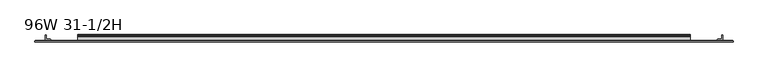
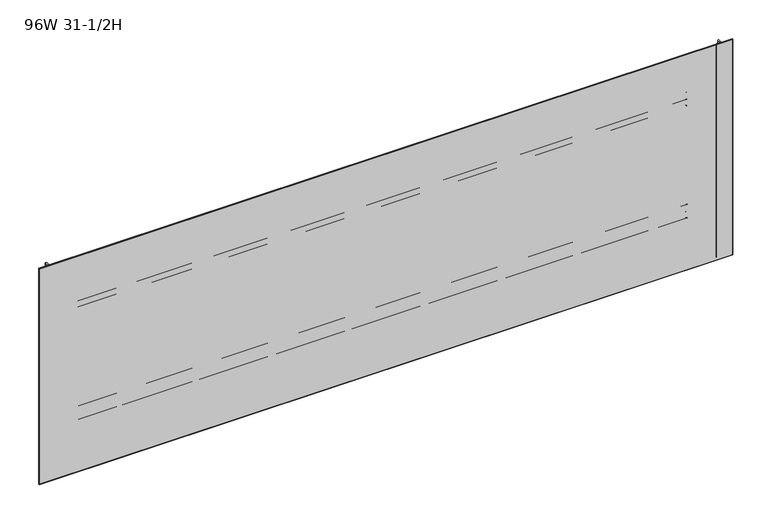
"""IFC4 building model written with IfcOpenShell, lengths in millimetres: furniture geometry, 96W 31-1/2H."""

from ifc_helpers import new_model, si_unit, point, frame, frame_2d, origin, place, context, project, spatial, polyline, circle_curve, trimmed, segment, composite_curve, outline, extrude, faceted_brep, source, transform, mapped, element, save


def furniture_96w_31_1_2h_2bd5d946(model_context):
    return source(origin(), model_context, "Body", "SolidModel", [
        extrude(outline(composite_curve([segment(polyline([(-5.2324, 699.2059175), (-5.2324, 720.3244434)]), True, "CONTINUOUS"), segment(trimmed(circle_curve(frame_2d((-4.677496, 720.3244434)), 0.554904), [point((-5.2324, 720.3244434))], [point((-4.5338691, 720.8604377))], False, "CARTESIAN"), True, "CONTINUOUS"), segment(polyline([(-4.5338691, 720.8604377), (-3.3274001, 720.5371481), (-2.3976956, 719.607481), (-2.0574001, 718.3374277), (-2.0574001, 705.5676431)]), True, "CONTINUOUS"), segment(trimmed(circle_curve(frame_2d((-1.4921701, 705.5676431)), 0.5652299), [point((-2.0574001, 705.5676431))], [point((-1.4921701, 705.0024132))], True, "CARTESIAN"), True, "CONTINUOUS"), segment(polyline([(-1.4921701, 705.0024132), (0.5143951, 705.0024132)]), True, "CONTINUOUS"), segment(trimmed(circle_curve(frame_2d((0.5143951, 704.3992083)), 0.6032049), [point((0.5143951, 705.0024132))], [point((1.1176, 704.3992083))], False, "CARTESIAN"), True, "CONTINUOUS"), segment(polyline([(1.1176, 704.3992083), (1.1176, 673.2846046)]), True, "CONTINUOUS"), segment(trimmed(circle_curve(frame_2d((0.6637885, 675.9738096)), 2.7272272), [point((1.1176, 673.2846046))], [point((-2.0574001, 675.7924229))], False, "CARTESIAN"), True, "CONTINUOUS"), segment(polyline([(-2.0574001, 675.7924229), (-2.0574001, 698.1081717)]), True, "CONTINUOUS"), segment(trimmed(circle_curve(frame_2d((-2.6016657, 698.1081717)), 0.5442657), [point((-2.0574001, 698.1081717))], [point((-2.6016657, 698.6524374))], True, "CARTESIAN"), True, "CONTINUOUS"), segment(polyline([(-2.6016657, 698.6524374), (-4.6789199, 698.6524374)]), True, "CONTINUOUS"), segment(trimmed(circle_curve(frame_2d((-4.6789199, 699.2059175)), 0.5534801), [point((-4.6789199, 698.6524374))], [point((-5.2324, 699.2059175))], False, "CARTESIAN"), True, "CONTINUOUS")], self_intersect=False)), frame((152.4, 0.0, 0.0), z_axis=(1.0, 0.0, 0.0), x_axis=(0.0, 1.0, 0.0)), (0.0, 0.0, 1.0), 2133.6),
        extrude(outline(composite_curve([segment(polyline([(-7.1373999, 752.6274132), (-4.5974, 751.9468588), (-2.7379909, 750.0874519), (-2.0574001, 747.547418), (-2.0574001, 725.9337352)]), True, "CONTINUOUS"), segment(trimmed(circle_curve(frame_2d((-1.4969277, 725.9337352)), 0.5604724), [point((-2.0574001, 725.9337352))], [point((-1.4969277, 725.3732628))], True, "CARTESIAN"), True, "CONTINUOUS"), segment(polyline([(-1.4969277, 725.3732628), (0.4039455, 725.3732628)]), True, "CONTINUOUS"), segment(trimmed(circle_curve(frame_2d((0.4039455, 724.6596084)), 0.7136544), [point((0.4039455, 725.3732628))], [point((1.1176, 724.6596084))], False, "CARTESIAN"), True, "CONTINUOUS"), segment(polyline([(1.1176, 724.6596084), (1.1176, 706.3034694)]), True, "CONTINUOUS"), segment(trimmed(circle_curve(frame_2d((0.4746932, 706.3034694)), 0.6429068), [point((1.1176, 706.3034694))], [point((-0.1003385, 706.0159495))], False, "CARTESIAN"), True, "CONTINUOUS"), segment(polyline([(-0.1003385, 706.0159495), (-1.8183367, 709.4518984)]), True, "CONTINUOUS"), segment(trimmed(circle_curve(frame_2d((0.2069874, 710.4645745)), 2.2643874), [point((-1.8183367, 709.4518984))], [point((-2.0574001, 710.4645745))], False, "CARTESIAN"), True, "CONTINUOUS"), segment(polyline([(-2.0574001, 710.4645745), (-2.0574001, 720.1402528)]), True, "CONTINUOUS"), segment(trimmed(circle_curve(frame_2d((-2.7946089, 720.1402528)), 0.7372088), [point((-2.0574001, 720.1402528))], [point((-2.7946089, 720.8774616))], True, "CARTESIAN"), True, "CONTINUOUS"), segment(polyline([(-2.7946089, 720.8774616), (-19.4564001, 720.8774616), (-19.4564001, 752.6274132), (-7.1373999, 752.6274132)]), True, "CONTINUOUS")], self_intersect=False), holes=[composite_curve([segment(trimmed(circle_curve(frame_2d((-13.0222745, 747.3363262)), 2.7511257), [point((-13.0222745, 750.0874519))], [point((-15.7734002, 747.3363262))], True, "CARTESIAN"), True, "CONTINUOUS"), segment(polyline([(-15.7734002, 747.3363262), (-15.7734002, 726.0014781)]), True, "CONTINUOUS"), segment(trimmed(circle_curve(frame_2d((-13.189345, 726.0014781)), 2.5840552), [point((-15.7734002, 726.0014781))], [point((-13.189345, 723.4174229))], True, "CARTESIAN"), True, "CONTINUOUS"), segment(polyline([(-13.189345, 723.4174229), (-7.4218653, 723.4174229)]), True, "CONTINUOUS"), segment(trimmed(circle_curve(frame_2d((-7.4218653, 726.2418881)), 2.8244652), [point((-7.4218653, 723.4174229))], [point((-4.5974, 726.2418881))], True, "CARTESIAN"), True, "CONTINUOUS"), segment(polyline([(-4.5974, 726.2418881), (-4.5974, 747.4103081)]), True, "CONTINUOUS"), segment(trimmed(circle_curve(frame_2d((-7.2745438, 747.4103081)), 2.6771438), [point((-4.5974, 747.4103081))], [point((-7.2745438, 750.0874519))], True, "CARTESIAN"), True, "CONTINUOUS"), segment(polyline([(-7.2745438, 750.0874519), (-13.0222745, 750.0874519)]), True, "CONTINUOUS")], self_intersect=False)]), frame((152.4, 0.0, 0.0), z_axis=(1.0, 0.0, 0.0), x_axis=(0.0, 1.0, 0.0)), (0.0, 0.0, 1.0), 2133.6),
        extrude(outline(composite_curve([segment(polyline([(-5.2324, 1115.1182044), (-5.2324, 1136.2367302)]), True, "CONTINUOUS"), segment(trimmed(circle_curve(frame_2d((-4.677496, 1136.2367302)), 0.554904), [point((-5.2324, 1136.2367302))], [point((-4.5338691, 1136.7727245))], False, "CARTESIAN"), True, "CONTINUOUS"), segment(polyline([(-4.5338691, 1136.7727245), (-3.3274001, 1136.4494349), (-2.3976956, 1135.5197678), (-2.0574001, 1134.2497145), (-2.0574001, 1121.4799299)]), True, "CONTINUOUS"), segment(trimmed(circle_curve(frame_2d((-1.4921701, 1121.4799299)), 0.5652299), [point((-2.0574001, 1121.4799299))], [point((-1.4921701, 1120.9147))], True, "CARTESIAN"), True, "CONTINUOUS"), segment(polyline([(-1.4921701, 1120.9147), (0.5143951, 1120.9147)]), True, "CONTINUOUS"), segment(trimmed(circle_curve(frame_2d((0.5143951, 1120.3114951)), 0.6032049), [point((0.5143951, 1120.9147))], [point((1.1176, 1120.3114951))], False, "CARTESIAN"), True, "CONTINUOUS"), segment(polyline([(1.1176, 1120.3114951), (1.1176, 1089.1968914)]), True, "CONTINUOUS"), segment(trimmed(circle_curve(frame_2d((0.6637885, 1091.8860964)), 2.7272272), [point((1.1176, 1089.1968914))], [point((-2.0574001, 1091.7047097))], False, "CARTESIAN"), True, "CONTINUOUS"), segment(polyline([(-2.0574001, 1091.7047097), (-2.0574001, 1114.0204586)]), True, "CONTINUOUS"), segment(trimmed(circle_curve(frame_2d((-2.6016657, 1114.0204586)), 0.5442657), [point((-2.0574001, 1114.0204586))], [point((-2.6016657, 1114.5647242))], True, "CARTESIAN"), True, "CONTINUOUS"), segment(polyline([(-2.6016657, 1114.5647242), (-4.6789199, 1114.5647242)]), True, "CONTINUOUS"), segment(trimmed(circle_curve(frame_2d((-4.6789199, 1115.1182044)), 0.5534801), [point((-4.6789199, 1114.5647242))], [point((-5.2324, 1115.1182044))], False, "CARTESIAN"), True, "CONTINUOUS")], self_intersect=False)), frame((152.4, 0.0, 0.0), z_axis=(1.0, 0.0, 0.0), x_axis=(0.0, 1.0, 0.0)), (0.0, 0.0, 1.0), 2133.6),
        extrude(outline(composite_curve([segment(polyline([(-7.1373999, 1168.5397), (-4.5974, 1167.8591456), (-2.7379909, 1165.9997388), (-2.0574001, 1163.4597048), (-2.0574001, 1141.846022)]), True, "CONTINUOUS"), segment(trimmed(circle_curve(frame_2d((-1.4969277, 1141.846022)), 0.5604724), [point((-2.0574001, 1141.846022))], [point((-1.4969277, 1141.2855496))], True, "CARTESIAN"), True, "CONTINUOUS"), segment(polyline([(-1.4969277, 1141.2855496), (0.4039455, 1141.2855496)]), True, "CONTINUOUS"), segment(trimmed(circle_curve(frame_2d((0.4039455, 1140.5718952)), 0.7136544), [point((0.4039455, 1141.2855496))], [point((1.1176, 1140.5718952))], False, "CARTESIAN"), True, "CONTINUOUS"), segment(polyline([(1.1176, 1140.5718952), (1.1176, 1122.2157562)]), True, "CONTINUOUS"), segment(trimmed(circle_curve(frame_2d((0.4746932, 1122.2157562)), 0.6429068), [point((1.1176, 1122.2157562))], [point((-0.1003385, 1121.9282364))], False, "CARTESIAN"), True, "CONTINUOUS"), segment(polyline([(-0.1003385, 1121.9282364), (-1.8183367, 1125.3641852)]), True, "CONTINUOUS"), segment(trimmed(circle_curve(frame_2d((0.2069874, 1126.3768613)), 2.2643874), [point((-1.8183367, 1125.3641852))], [point((-2.0574001, 1126.3768613))], False, "CARTESIAN"), True, "CONTINUOUS"), segment(polyline([(-2.0574001, 1126.3768613), (-2.0574001, 1136.0525396)]), True, "CONTINUOUS"), segment(trimmed(circle_curve(frame_2d((-2.7946089, 1136.0525396)), 0.7372088), [point((-2.0574001, 1136.0525396))], [point((-2.7946089, 1136.7897484))], True, "CARTESIAN"), True, "CONTINUOUS"), segment(polyline([(-2.7946089, 1136.7897484), (-19.4564001, 1136.7897484), (-19.4564001, 1168.5397), (-7.1373999, 1168.5397)]), True, "CONTINUOUS")], self_intersect=False), holes=[composite_curve([segment(trimmed(circle_curve(frame_2d((-13.0222745, 1163.248613)), 2.7511257), [point((-13.0222745, 1165.9997388))], [point((-15.7734002, 1163.248613))], True, "CARTESIAN"), True, "CONTINUOUS"), segment(polyline([(-15.7734002, 1163.248613), (-15.7734002, 1141.9137649)]), True, "CONTINUOUS"), segment(trimmed(circle_curve(frame_2d((-13.189345, 1141.9137649)), 2.5840552), [point((-15.7734002, 1141.9137649))], [point((-13.189345, 1139.3297097))], True, "CARTESIAN"), True, "CONTINUOUS"), segment(polyline([(-13.189345, 1139.3297097), (-7.4218653, 1139.3297097)]), True, "CONTINUOUS"), segment(trimmed(circle_curve(frame_2d((-7.4218653, 1142.1541749)), 2.8244652), [point((-7.4218653, 1139.3297097))], [point((-4.5974, 1142.1541749))], True, "CARTESIAN"), True, "CONTINUOUS"), segment(polyline([(-4.5974, 1142.1541749), (-4.5974, 1163.322595)]), True, "CONTINUOUS"), segment(trimmed(circle_curve(frame_2d((-7.2745438, 1163.322595)), 2.6771438), [point((-4.5974, 1163.322595))], [point((-7.2745438, 1165.9997388))], True, "CARTESIAN"), True, "CONTINUOUS"), segment(polyline([(-7.2745438, 1165.9997388), (-13.0222745, 1165.9997388)]), True, "CONTINUOUS")], self_intersect=False)]), frame((152.4, 0.0, 0.0), z_axis=(1.0, 0.0, 0.0), x_axis=(0.0, 1.0, 0.0)), (0.0, 0.0, 1.0), 2133.6),
        extrude(outline(composite_curve([segment(trimmed(circle_curve(frame_2d((2399.7524764, -18.9088765)), 0.5475236), [point((2400.3, -18.9088765))], [point((2399.7524764, -19.4564001))], False, "CARTESIAN"), True, "CONTINUOUS"), segment(polyline([(2399.7524764, -19.4564001), (2381.8113866, -19.4564001)]), True, "CONTINUOUS"), segment(trimmed(circle_curve(frame_2d((2381.8113866, -18.8950135)), 0.5613866), [point((2381.8113866, -19.4564001))], [point((2381.25, -18.8950135))], False, "CARTESIAN"), True, "CONTINUOUS"), segment(polyline([(2381.25, -18.8950135), (2381.25, -16.8669745)]), True, "CONTINUOUS"), segment(trimmed(circle_curve(frame_2d((2383.8294745, -16.8669745)), 2.5794745), [point((2381.25, -16.8669745))], [point((2383.8294745, -14.2875))], False, "CARTESIAN"), True, "CONTINUOUS"), segment(polyline([(2383.8294745, -14.2875), (2394.8787912, -14.2875)]), True, "CONTINUOUS"), segment(trimmed(circle_curve(frame_2d((2394.8787912, -13.6414903)), 0.6460097), [point((2394.8787912, -14.2875))], [point((2395.5248009, -13.6414903))], True, "CARTESIAN"), True, "CONTINUOUS"), segment(polyline([(2395.5248009, -13.6414903), (2395.5248009, -2.768893)]), True, "CONTINUOUS"), segment(trimmed(circle_curve(frame_2d((2398.2936939, -2.768893)), 2.768893), [point((2395.5248009, -2.768893))], [point((2398.2936939, 0.0))], False, "CARTESIAN"), True, "CONTINUOUS"), segment(polyline([(2398.2936939, 0.0), (2399.7082199, 0.0)]), True, "CONTINUOUS"), segment(trimmed(circle_curve(frame_2d((2399.7082199, -0.5917801)), 0.5917801), [point((2399.7082199, 0.0))], [point((2400.3, -0.5917801))], False, "CARTESIAN"), True, "CONTINUOUS"), segment(polyline([(2400.3, -0.5917801), (2400.3, -18.9088765)]), True, "CONTINUOUS")], self_intersect=False)), frame((0.0, 0.0, 525.78), z_axis=(0.0, 0.0, 1.0), x_axis=(1.0, 0.0, 0.0)), (0.0, 0.0, 1.0), 790.5623),
        extrude(outline(composite_curve([segment(polyline([(38.1, -18.9088765), (38.1, -0.5917801)]), True, "CONTINUOUS"), segment(trimmed(circle_curve(frame_2d((38.6917801, -0.5917801)), 0.5917801), [point((38.1, -0.5917801))], [point((38.6917801, 0.0))], False, "CARTESIAN"), True, "CONTINUOUS"), segment(polyline([(38.6917801, 0.0), (40.1063061, 0.0)]), True, "CONTINUOUS"), segment(trimmed(circle_curve(frame_2d((40.1063061, -2.768893)), 2.768893), [point((40.1063061, 0.0))], [point((42.8751991, -2.768893))], False, "CARTESIAN"), True, "CONTINUOUS"), segment(polyline([(42.8751991, -2.768893), (42.8751991, -13.6414903)]), True, "CONTINUOUS"), segment(trimmed(circle_curve(frame_2d((43.5212088, -13.6414903)), 0.6460097), [point((42.8751991, -13.6414903))], [point((43.5212088, -14.2875))], True, "CARTESIAN"), True, "CONTINUOUS"), segment(polyline([(43.5212088, -14.2875), (54.5705255, -14.2875)]), True, "CONTINUOUS"), segment(trimmed(circle_curve(frame_2d((54.5705255, -16.8669745)), 2.5794745), [point((54.5705255, -14.2875))], [point((57.15, -16.8669745))], False, "CARTESIAN"), True, "CONTINUOUS"), segment(polyline([(57.15, -16.8669745), (57.15, -18.8950135)]), True, "CONTINUOUS"), segment(trimmed(circle_curve(frame_2d((56.5886134, -18.8950135)), 0.5613866), [point((57.15, -18.8950135))], [point((56.5886134, -19.4564001))], False, "CARTESIAN"), True, "CONTINUOUS"), segment(polyline([(56.5886134, -19.4564001), (38.6475236, -19.4564001)]), True, "CONTINUOUS"), segment(trimmed(circle_curve(frame_2d((38.6475236, -18.9088765)), 0.5475236), [point((38.6475236, -19.4564001))], [point((38.1, -18.9088765))], False, "CARTESIAN"), True, "CONTINUOUS")], self_intersect=False)), frame((0.0, 0.0, 525.78), z_axis=(0.0, 0.0, 1.0), x_axis=(1.0, 0.0, 0.0)), (0.0, 0.0, 1.0), 790.5623),
        extrude(outline(polyline([(2431.0975002, -20.0634601), (7.3024998, -20.0634601), (7.3024998, -19.4564001), (2431.0975002, -19.4564001), (2431.0975002, -20.0634601)])), frame((0.0, 0.0, 525.78), z_axis=(0.0, 0.0, 1.0), x_axis=(1.0, 0.0, 0.0)), (0.0, 0.0, 1.0), 790.5623),
        faceted_brep([(2435.8600024, -24.0512595, 1321.1048), (2435.8600024, -20.8508598, 1321.1048), (2.5400001, -20.8508598, 1321.1048), (2.5400001, -24.0512595, 1321.1048), (2.5400001, -24.0512595, 521.0048), (2.5400001, -20.8508598, 521.0048), (2435.8600024, -20.8508598, 521.0048), (2435.8600024, -24.0512595, 521.0048), (3.3274521, -24.8386592, 1320.3173481), (3.3274521, -24.8386592, 521.7922519), (2435.0725505, -24.8386592, 521.7922519), (2435.0725505, -24.8386592, 1320.3173481), (3.3274521, -20.0634601, 521.7922519), (3.3274521, -20.0634601, 1320.3173481), (2435.0725505, -20.0634601, 1320.3173481), (2435.0725505, -20.0634601, 521.7922519)], [[[0, 1, 2, 3]], [[4, 5, 6, 7]], [[8, 9, 10, 11]], [[1, 0, 7, 6]], [[12, 13, 14, 15]], [[3, 2, 5, 4]], [[12, 5, 2, 13]], [[4, 9, 8, 3]], [[5, 12, 15, 6]], [[9, 4, 7, 10]], [[6, 15, 14, 1]], [[10, 7, 0, 11]], [[13, 2, 1, 14]], [[3, 8, 11, 0]]]),
    ])


if __name__ == "__main__":
    model = new_model("IFC4")
    model_context = context("Model", 3, world=origin())
    ifc_project = project(units=[si_unit("LENGTHUNIT", "METRE", prefix="MILLI")], contexts=[model_context])
    site = spatial("IfcSite", under=ifc_project)
    building = spatial("IfcBuilding", under=site)
    placement = place(None, origin())
    furniture_96w_31_1_2h_shape = furniture_96w_31_1_2h_2bd5d946(model_context)
    element("IfcFurniture", 1, ObjectType="96W 31-1/2H", at=placement, inside=building, context=model_context, shape_type="MappedRepresentation", body=[
        mapped(furniture_96w_31_1_2h_shape, transform((0.0, 0.0, 0.0), x_axis=(1.0, 0.0, 0.0), y_axis=(0.0, 1.0, 0.0), z_axis=(0.0, 0.0, 1.0))),
    ])
    save(model, "model.ifc")
